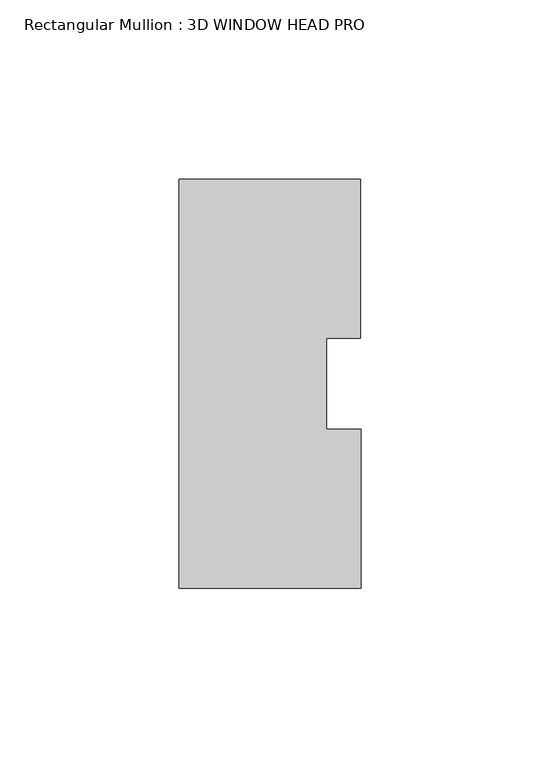
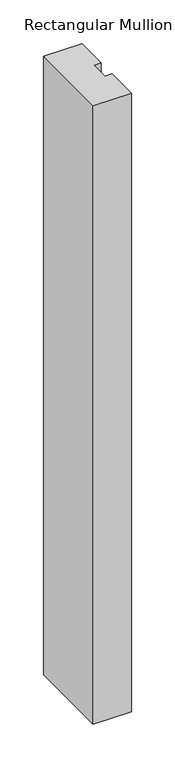
"""IFC4 building model written with IfcOpenShell, lengths in millimetres: member geometry, Rectangular Mullion : 3D WINDOW HEAD PRO."""

from ifc_helpers import new_model, si_unit, frame, origin, place, context, project, spatial, polyline, outline, extrude, source, transform, mapped, element, save


def rectangular_mullion_3d_window_head_pro_af6835c2(model_context):
    return source(origin(), model_context, "Body", "SweptSolid", [
        extrude(outline(polyline([(25.4, -57.138783), (-25.4054077, -57.138783), (-25.4054077, 57.161217), (25.3945923, 57.161217), (25.3945923, 12.7438492), (15.875542, 12.7438492), (15.875542, -12.7438492), (25.4, -12.7438492), (25.4, -57.138783)])), frame((0.0, 0.0, -865.4875586), z_axis=(0.0, 0.0, 1.0), x_axis=(1.0, 0.0, 0.0)), (0.0, 0.0, 1.0), 865.4875586),
    ])


if __name__ == "__main__":
    model = new_model("IFC4")
    model_context = context("Model", 3, world=origin())
    ifc_project = project(units=[si_unit("LENGTHUNIT", "METRE", prefix="MILLI")], contexts=[model_context])
    site = spatial("IfcSite", under=ifc_project)
    building = spatial("IfcBuilding", under=site)
    placement = place(None, origin())
    rectangular_mullion_3d_window_head_pro_shape = rectangular_mullion_3d_window_head_pro_af6835c2(model_context)
    element("IfcMember", 1, ObjectType="Rectangular Mullion : 3D WINDOW HEAD PRO", at=placement, inside=building, context=model_context, shape_type="MappedRepresentation", body=[
        mapped(rectangular_mullion_3d_window_head_pro_shape, transform((0.0, 0.0, 0.0), x_axis=(1.0, 0.0, 0.0), y_axis=(0.0, 1.0, 0.0), z_axis=(0.0, 0.0, 1.0))),
    ])
    save(model, "model.ifc")
